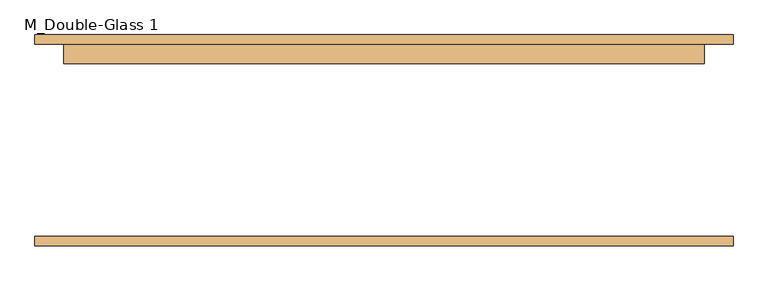
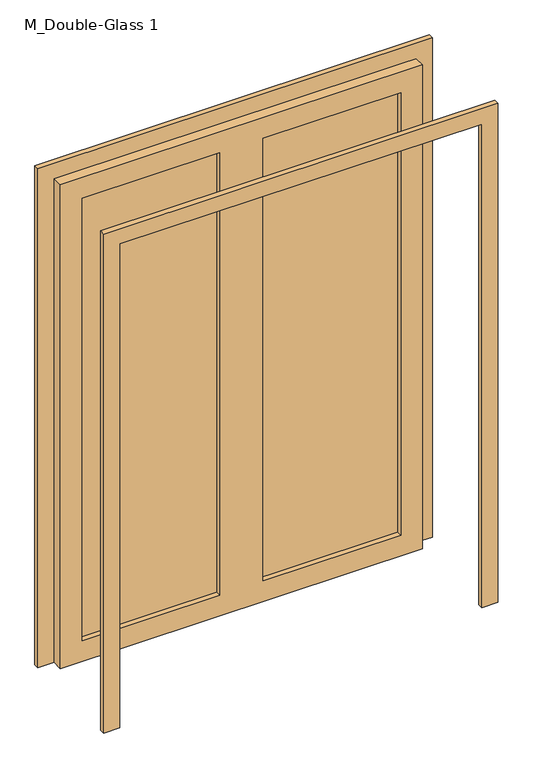
"""IFC4 building model written with IfcOpenShell, lengths in millimetres: door geometry, M_Double-Glass 1."""

from ifc_helpers import new_model, si_unit, frame, origin, place, context, project, spatial, polyline, outline, extrude, source, transform, mapped, element, save


def m_double_glass_1_4270a2e3(model_context):
    return source(origin(), model_context, "Body", "SweptSolid", [
        extrude(outline(polyline([(0.0, 926.0), (2476.0, 926.0), (2476.0, -926.0), (0.0, -926.0), (0.0, -850.0), (2400.0, -850.0), (2400.0, 850.0), (0.0, 850.0), (0.0, 926.0)])), frame((0.0, -277.61875, 0.0), z_axis=(0.0, 1.0, 0.0), x_axis=(0.0, 0.0, 1.0)), (0.0, 0.0, 1.0), 25.0),
        extrude(outline(polyline([(2400.0, 850.0), (0.0, 850.0), (0.0, 926.0), (2476.0, 926.0), (2476.0, -926.0), (0.0, -926.0), (0.0, -850.0), (2400.0, -850.0), (2400.0, 850.0)])), frame((0.0, 257.38125, 0.0), z_axis=(0.0, 1.0, 0.0), x_axis=(0.0, 0.0, 1.0)), (0.0, 0.0, 1.0), 25.0),
        extrude(outline(polyline([(748.4, 231.98125), (101.6, 231.98125), (101.6, 239.125), (748.4, 239.125), (748.4, 231.98125)])), frame((0.0, 0.0, 102.0), z_axis=(0.0, 0.0, 1.0), x_axis=(1.0, 0.0, 0.0)), (0.0, 0.0, 1.0), 2196.0),
        extrude(outline(polyline([(-101.6, 231.98125), (-748.4, 231.98125), (-748.4, 239.125), (-101.6, 239.125), (-101.6, 231.98125)])), frame((0.0, 0.0, 102.0), z_axis=(0.0, 0.0, 1.0), x_axis=(1.0, 0.0, 0.0)), (0.0, 0.0, 1.0), 2196.0),
        extrude(outline(polyline([(2400.0, 850.0), (2400.0, -850.0), (0.0, -850.0), (0.0, 850.0), (2400.0, 850.0)]), holes=[polyline([(2298.0, -101.6), (102.0, -101.6), (102.0, -748.4), (2298.0, -748.4), (2298.0, -101.6)]), polyline([(2298.0, 748.4), (102.0, 748.4), (102.0, 101.6), (2298.0, 101.6), (2298.0, 748.4)])]), frame((0.0, 206.38125, 0.0), z_axis=(0.0, 1.0, 0.0), x_axis=(0.0, 0.0, 1.0)), (0.0, 0.0, 1.0), 51.0),
    ])


if __name__ == "__main__":
    model = new_model("IFC4")
    model_context = context("Model", 3, world=origin())
    ifc_project = project(units=[si_unit("LENGTHUNIT", "METRE", prefix="MILLI")], contexts=[model_context])
    site = spatial("IfcSite", under=ifc_project)
    building = spatial("IfcBuilding", under=site)
    placement = place(None, origin())
    m_double_glass_1_shape = m_double_glass_1_4270a2e3(model_context)
    element("IfcDoor", 1, ObjectType="M_Double-Glass 1", at=placement, inside=building, context=model_context, shape_type="MappedRepresentation", body=[
        mapped(m_double_glass_1_shape, transform((0.0, 0.0, 0.0), x_axis=(1.0, 0.0, 0.0), y_axis=(0.0, 1.0, 0.0), z_axis=(0.0, 0.0, 1.0))),
    ])
    save(model, "model.ifc")
